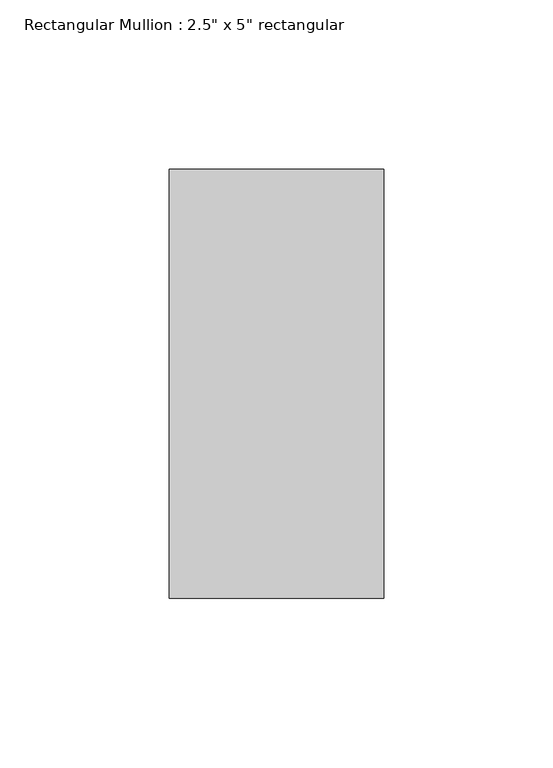
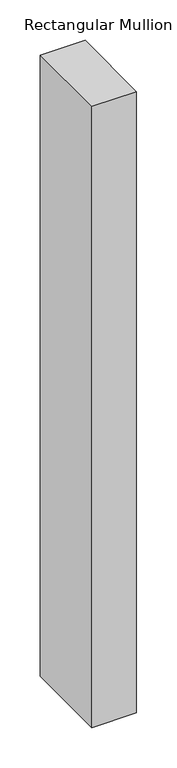
"""IFC4 building model written with IfcOpenShell, lengths in millimetres: member geometry."""

from ifc_helpers import new_model, si_unit, frame, origin, place, context, project, spatial, polyline, outline, extrude, source, transform, mapped, element, save


def member_19de9f78(model_context):
    return source(origin(), model_context, "Body", "SweptSolid", [
        extrude(outline(polyline([(0.0, 63.5), (0.0, -63.5), (-63.5, -63.5), (-63.5, 63.5), (0.0, 63.5)])), frame((0.0, 0.0, -936.5), z_axis=(0.0, 0.0, 1.0), x_axis=(1.0, 0.0, 0.0)), (0.0, 0.0, 1.0), 936.5),
    ])


if __name__ == "__main__":
    model = new_model("IFC4")
    model_context = context("Model", 3, world=origin())
    ifc_project = project(units=[si_unit("LENGTHUNIT", "METRE", prefix="MILLI")], contexts=[model_context])
    site = spatial("IfcSite", under=ifc_project)
    building = spatial("IfcBuilding", under=site)
    placement = place(None, origin())
    member_shape = member_19de9f78(model_context)
    element("IfcMember", 1, ObjectType="Rectangular Mullion : 2.5\" x 5\" rectangular", at=placement, inside=building, context=model_context, shape_type="MappedRepresentation", body=[
        mapped(member_shape, transform((0.0, 0.0, 0.0), x_axis=(1.0, 0.0, 0.0), y_axis=(0.0, 1.0, 0.0), z_axis=(0.0, 0.0, 1.0))),
    ])
    save(model, "model.ifc")
